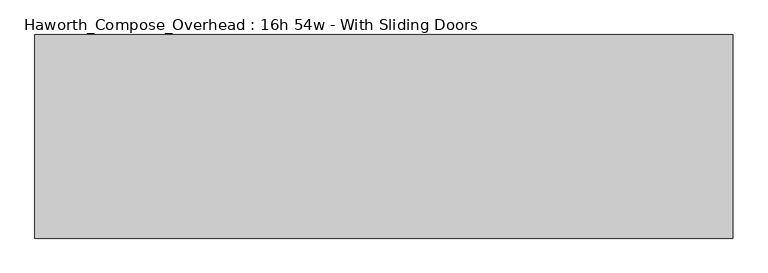
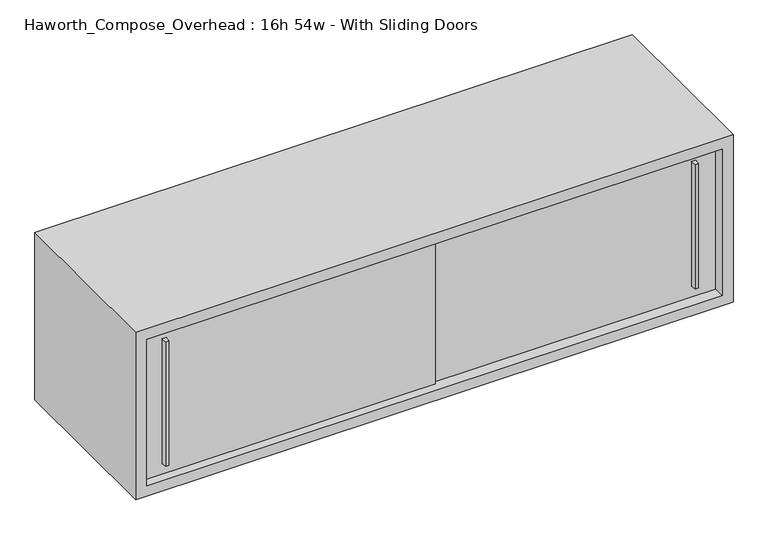
"""IFC4 building model written with IfcOpenShell, lengths in millimetres: furniture geometry, Haworth_Compose_Overhead : 16h 54w - With Sliding Doors."""

from ifc_helpers import new_model, si_unit, frame, origin, place, context, project, spatial, polyline, outline, extrude, source, transform, mapped, element, save


def haworth_compose_overhead_16h_54w_with_sliding_doors_fa4ed8b9(model_context):
    return source(origin(), model_context, "Body", "SweptSolid", [
        extrude(outline(polyline([(777.8750004, -387.3499879), (771.5249996, -387.3499879), (769.9375011, -374.65), (779.4624989, -374.65), (777.8750004, -387.3499879)])), frame((0.0, 0.0, 1322.3875), z_axis=(0.0, 0.0, 1.0), x_axis=(1.0, 0.0, 0.0)), (0.0, 0.0, 1.0), 301.625),
        extrude(outline(polyline([(-441.3249996, -393.6999879), (-447.6750004, -393.6999879), (-449.2624989, -381.0), (-439.7375011, -381.0), (-441.3249996, -393.6999879)])), frame((0.0, 0.0, 1322.3875), z_axis=(0.0, 0.0, 1.0), x_axis=(1.0, 0.0, 0.0)), (0.0, 0.0, 1.0), 301.625),
        extrude(outline(polyline([(-495.3, -374.65), (177.8, -374.65), (177.8, -381.0), (-495.3, -381.0), (-495.3, -374.65)])), frame((0.0, 0.0, 1295.4), z_axis=(0.0, 0.0, 1.0), x_axis=(1.0, 0.0, 0.0)), (0.0, 0.0, 1.0), 355.6),
        extrude(outline(polyline([(152.4, -368.3), (825.5, -368.3), (825.5, -374.65), (152.4, -374.65), (152.4, -368.3)])), frame((0.0, 0.0, 1295.4), z_axis=(0.0, 0.0, 1.0), x_axis=(1.0, 0.0, 0.0)), (0.0, 0.0, 1.0), 355.6),
        extrude(outline(polyline([(825.5, -6.35), (-495.3, -6.35), (-495.3, 0.0), (825.5, 0.0), (825.5, -6.35)])), frame((0.0, 0.0, 1295.4), z_axis=(0.0, 0.0, 1.0), x_axis=(1.0, 0.0, 0.0)), (0.0, 0.0, 1.0), 355.6),
        extrude(outline(polyline([(1270.0, 850.9), (1676.4, 850.9), (1676.4, -520.7), (1270.0, -520.7), (1270.0, 850.9)]), holes=[polyline([(1651.0, 825.5), (1295.4, 825.5), (1295.4, -495.3), (1651.0, -495.3), (1651.0, 825.5)])]), frame((0.0, -400.05, 0.0), z_axis=(0.0, 1.0, 0.0), x_axis=(0.0, 0.0, 1.0)), (0.0, 0.0, 1.0), 400.05),
    ])


if __name__ == "__main__":
    model = new_model("IFC4")
    model_context = context("Model", 3, world=origin())
    ifc_project = project(units=[si_unit("LENGTHUNIT", "METRE", prefix="MILLI")], contexts=[model_context])
    site = spatial("IfcSite", under=ifc_project)
    building = spatial("IfcBuilding", under=site)
    placement = place(None, origin())
    haworth_compose_overhead_16h_54w_with_sliding_doors_shape = haworth_compose_overhead_16h_54w_with_sliding_doors_fa4ed8b9(model_context)
    element("IfcFurniture", 1, ObjectType="Haworth_Compose_Overhead : 16h 54w - With Sliding Doors", at=placement, inside=building, context=model_context, shape_type="MappedRepresentation", body=[
        mapped(haworth_compose_overhead_16h_54w_with_sliding_doors_shape, transform((0.0, 0.0, 0.0), x_axis=(1.0, 0.0, 0.0), y_axis=(0.0, 1.0, 0.0), z_axis=(0.0, 0.0, 1.0))),
    ])
    save(model, "model.ifc")
